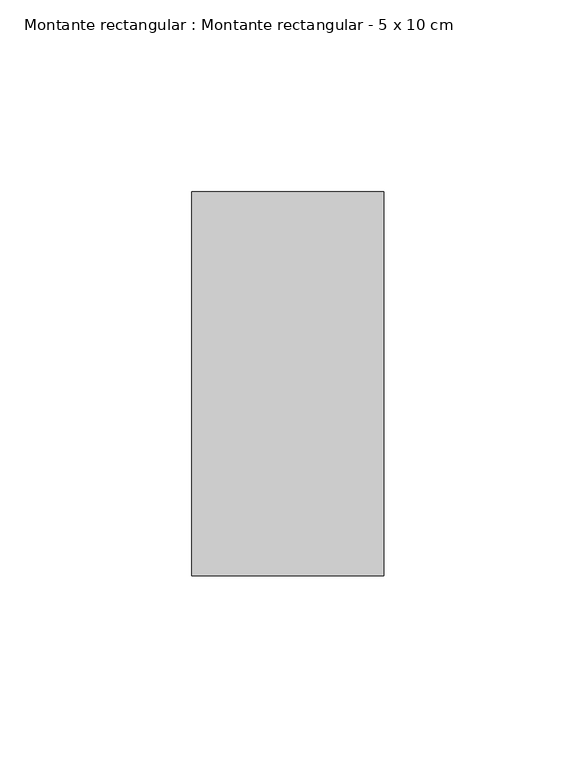
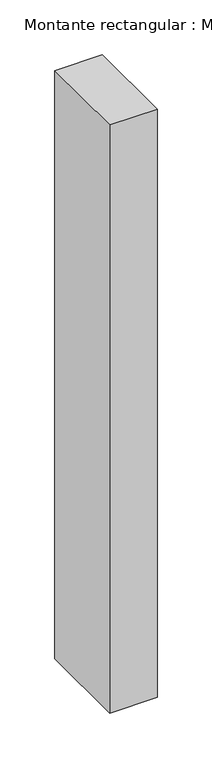
"""IFC4 building model written with IfcOpenShell, lengths in millimetres: member geometry, Montante rectangular : Montante rectangular - 5 x 10 cm."""

from ifc_helpers import new_model, si_unit, frame, origin, place, context, project, spatial, polyline, outline, extrude, source, transform, mapped, element, save


def montante_rectangular_montante_rectangular_5_x_10_cm_082a8fd5(model_context):
    return source(origin(), model_context, "Body", "SweptSolid", [
        extrude(outline(polyline([(-50.0, 50.0), (0.0, 50.0), (0.0, -50.0), (-50.0, -50.0), (-50.0, 50.0)])), frame((0.0, 0.0, -655.0), z_axis=(0.0, 0.0, 1.0), x_axis=(1.0, 0.0, 0.0)), (0.0, 0.0, 1.0), 655.0),
    ])


if __name__ == "__main__":
    model = new_model("IFC4")
    model_context = context("Model", 3, world=origin())
    ifc_project = project(units=[si_unit("LENGTHUNIT", "METRE", prefix="MILLI")], contexts=[model_context])
    site = spatial("IfcSite", under=ifc_project)
    building = spatial("IfcBuilding", under=site)
    placement = place(None, origin())
    montante_rectangular_montante_rectangular_5_x_10_cm_shape = montante_rectangular_montante_rectangular_5_x_10_cm_082a8fd5(model_context)
    element("IfcMember", 1, ObjectType="Montante rectangular : Montante rectangular - 5 x 10 cm", at=placement, inside=building, context=model_context, shape_type="MappedRepresentation", body=[
        mapped(montante_rectangular_montante_rectangular_5_x_10_cm_shape, transform((0.0, 0.0, 0.0), x_axis=(1.0, 0.0, 0.0), y_axis=(0.0, 1.0, 0.0), z_axis=(0.0, 0.0, 1.0))),
    ])
    save(model, "model.ifc")
